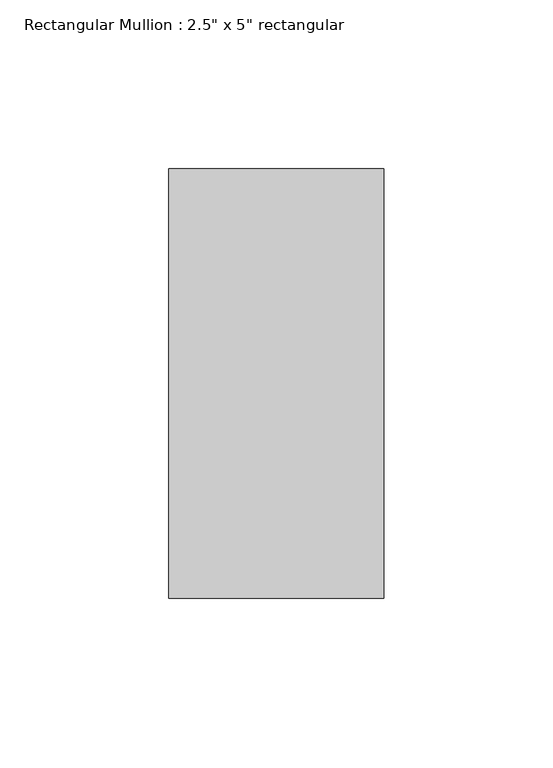
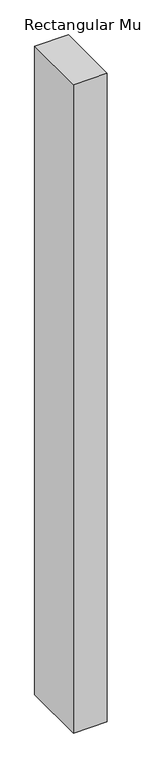
"""IFC4 building model written with IfcOpenShell, lengths in millimetres: member geometry."""

from ifc_helpers import new_model, si_unit, frame, origin, place, context, project, spatial, polyline, outline, extrude, source, transform, mapped, element, save


def member_547128e5(model_context):
    return source(origin(), model_context, "Body", "SweptSolid", [
        extrude(outline(polyline([(0.0, 63.5), (0.0, -63.5), (-63.5, -63.5), (-63.5, 63.5), (0.0, 63.5)])), frame((0.0, 0.0, -1295.4), z_axis=(0.0, 0.0, 1.0), x_axis=(1.0, 0.0, 0.0)), (0.0, 0.0, 1.0), 1295.4),
    ])


if __name__ == "__main__":
    model = new_model("IFC4")
    model_context = context("Model", 3, world=origin())
    ifc_project = project(units=[si_unit("LENGTHUNIT", "METRE", prefix="MILLI")], contexts=[model_context])
    site = spatial("IfcSite", under=ifc_project)
    building = spatial("IfcBuilding", under=site)
    placement = place(None, origin())
    member_shape = member_547128e5(model_context)
    element("IfcMember", 1, ObjectType="Rectangular Mullion : 2.5\" x 5\" rectangular", at=placement, inside=building, context=model_context, shape_type="MappedRepresentation", body=[
        mapped(member_shape, transform((0.0, 0.0, 0.0), x_axis=(1.0, 0.0, 0.0), y_axis=(0.0, 1.0, 0.0), z_axis=(0.0, 0.0, 1.0))),
    ])
    save(model, "model.ifc")
